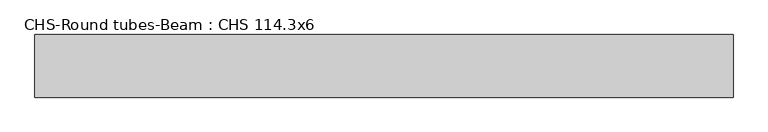
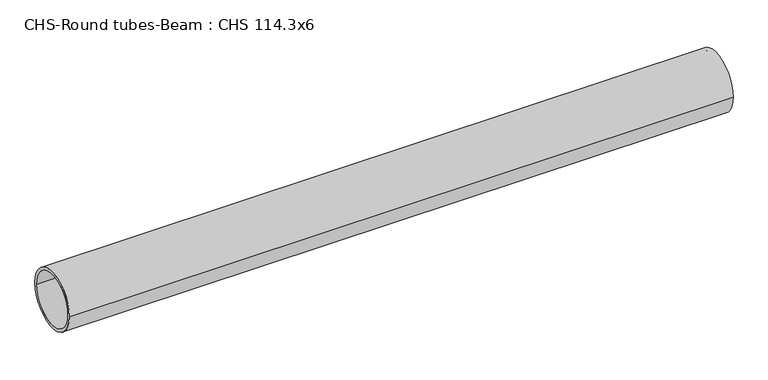
"""IFC4 building model written with IfcOpenShell, lengths in millimetres: beam geometry, CHS-Round tubes-Beam : CHS 114.3x6."""

import ifcopenshell
import ifcopenshell.guid

model = None  # the IFC model being written
_history = None  # IfcOwnerHistory: only IFC2X3 demands one
_inside = {}  # id of a spatial element -> (the spatial element, [elements in it])
_under = {}  # id of a project, library or spatial element -> (it, [spatial elements below it])
_declared = {}  # id of a project -> (the project, [libraries it declares])
_typed = {}  # id of a type object -> (the type object, [elements of that type])
_made_of = {}  # id of a material, layer set ... -> (it, [elements and type objects made of it])


def new_model(schema):
    """Start an empty IFC model of exactly this schema.

    Asked for "IFC4X3", IfcOpenShell would pick the latest addendum, in which some entities
    have other attributes; the version numbers below select the first issue.
    IFC2X3 requires an IfcOwnerHistory on every rooted entity: one is made here for all.
    """
    global model, _history
    if schema == "IFC4X3":
        model = ifcopenshell.file(schema_version=(4, 3, 0, 0))
    else:
        model = ifcopenshell.file(schema=schema)
    _inside.clear()
    _under.clear()
    _declared.clear()
    _typed.clear()
    _made_of.clear()
    _history = None
    if model.schema == "IFC2X3":
        org = make("IfcOrganization", Name="unknown")
        user = make(
            "IfcPersonAndOrganization",
            ThePerson=make("IfcPerson", FamilyName="unknown"),
            TheOrganization=org,
        )
        app = make(
            "IfcApplication",
            ApplicationDeveloper=org,
            Version="unknown",
            ApplicationFullName="unknown",
            ApplicationIdentifier="unknown",
        )
        _history = make(
            "IfcOwnerHistory",
            OwningUser=user,
            OwningApplication=app,
            ChangeAction="ADDED",
            CreationDate=0,
        )
    return model


def make(cls, **values):
    """One entity of the class cls with the attributes given. An attribute that is None is left unset."""
    return model.create_entity(
        cls, **{name: value for name, value in values.items() if value is not None}
    )


def rooted(cls, **values):
    """An entity with a GlobalId (a new one), such as an element, a storey or a relation."""
    return make(cls, GlobalId=ifcopenshell.guid.new(), OwnerHistory=_history, **values)


def si_unit(unit_type, name, prefix=None):
    """IfcSIUnit, for example si_unit("LENGTHUNIT", "METRE", prefix="MILLI")."""
    return make("IfcSIUnit", UnitType=unit_type, Prefix=prefix, Name=name)


def assignment(units):
    """IfcUnitAssignment: the units of a project."""
    return None if units is None else make("IfcUnitAssignment", Units=units)


def point(xyz):
    """IfcCartesianPoint."""
    return None if xyz is None else make("IfcCartesianPoint", Coordinates=xyz)


def direction(xyz):
    """IfcDirection."""
    return None if xyz is None else make("IfcDirection", DirectionRatios=xyz)


def frame(location, z_axis=None, x_axis=None):
    """IfcAxis2Placement3D, a coordinate frame: its origin and axes. An axis left out is left unset."""
    return make(
        "IfcAxis2Placement3D",
        Location=point(location),
        Axis=direction(z_axis),
        RefDirection=direction(x_axis),
    )


def frame_2d(location, x_axis=None):
    """IfcAxis2Placement2D, a coordinate frame in the plane: its origin and x axis."""
    return make(
        "IfcAxis2Placement2D", Location=point(location), RefDirection=direction(x_axis)
    )


def origin():
    """The frame at (0, 0, 0) with its axes left unset."""
    return frame((0.0, 0.0, 0.0))


def origin_2d():
    """The frame at (0, 0) in the plane with its x axis left unset."""
    return frame_2d((0.0, 0.0))


def place(relative_to, where):
    """IfcLocalPlacement: puts the frame where relative to a parent placement (None: the world)."""
    return make(
        "IfcLocalPlacement", PlacementRelTo=relative_to, RelativePlacement=where
    )


def context(
    kind, dimensions, precision=None, world=None, true_north=None, identifier=None
):
    """IfcGeometricRepresentationContext, for example the 3D "Model" context."""
    return make(
        "IfcGeometricRepresentationContext",
        ContextIdentifier=identifier,
        ContextType=kind,
        CoordinateSpaceDimension=dimensions,
        Precision=precision,
        WorldCoordinateSystem=world,
        TrueNorth=true_north,
    )


def project(units=None, contexts=None):
    """IfcProject with its units and contexts."""
    return rooted(
        "IfcProject",
        Name="project",
        RepresentationContexts=contexts,
        UnitsInContext=assignment(units),
    )


def spatial(cls, under=None, at=None, **own):
    """A site, building, storey or space (cls), placed at a placement, below another one or the project."""
    s = rooted(cls, ObjectPlacement=at, **own)
    if under is not None:
        _under.setdefault(under.id(), (under, []))[1].append(s)
    return s


def circle_curve(where, radius):
    """IfcCircle in the frame where."""
    return make("IfcCircle", Position=where, Radius=radius)


def trimmed(basis, trim1, trim2, sense, master):
    """IfcTrimmedCurve: the piece of a basis curve between two trims."""
    return make(
        "IfcTrimmedCurve",
        BasisCurve=basis,
        Trim1=trim1,
        Trim2=trim2,
        SenseAgreement=sense,
        MasterRepresentation=master,
    )


def segment(curve, same_sense, transition):
    """IfcCompositeCurveSegment."""
    return make(
        "IfcCompositeCurveSegment",
        Transition=transition,
        SameSense=same_sense,
        ParentCurve=curve,
    )


def composite_curve(segments, self_intersect=None):
    """IfcCompositeCurve: segments joined end to end."""
    return make("IfcCompositeCurve", Segments=segments, SelfIntersect=self_intersect)


def outline(outer, holes=None, kind="AREA"):
    """IfcArbitraryClosedProfileDef: a profile drawn as a closed curve; with holes, ...WithVoids."""
    if holes is None:
        return make("IfcArbitraryClosedProfileDef", ProfileType=kind, OuterCurve=outer)
    return make(
        "IfcArbitraryProfileDefWithVoids",
        ProfileType=kind,
        OuterCurve=outer,
        InnerCurves=holes,
    )


def extrude(swept, where, along, depth):
    """IfcExtrudedAreaSolid: the profile swept, set in the frame where, extruded along a direction by depth."""
    return make(
        "IfcExtrudedAreaSolid",
        SweptArea=swept,
        Position=where,
        ExtrudedDirection=direction(along),
        Depth=depth,
    )


def shape(context_of_items, identifier, shape_type, items):
    """IfcShapeRepresentation: the items that make up one representation, for example the "Body"."""
    return make(
        "IfcShapeRepresentation",
        ContextOfItems=context_of_items,
        RepresentationIdentifier=identifier,
        RepresentationType=shape_type,
        Items=items,
    )


def source(mapping_origin, context_of_items, identifier, shape_type, items):
    """IfcRepresentationMap: a shape defined once, which mapped items show again and again."""
    return make(
        "IfcRepresentationMap",
        MappingOrigin=mapping_origin,
        MappedRepresentation=shape(context_of_items, identifier, shape_type, items),
    )


def transform(
    local_origin,
    x_axis=None,
    y_axis=None,
    z_axis=None,
    scale=None,
    scale2=None,
    scale3=None,
    uniform=True,
):
    """IfcCartesianTransformationOperator3D, or its non-uniform kind. x_axis, y_axis, z_axis: its Axis1, 2, 3."""
    if uniform:
        return make(
            "IfcCartesianTransformationOperator3D",
            Axis1=direction(x_axis),
            Axis2=direction(y_axis),
            LocalOrigin=point(local_origin),
            Scale=scale,
            Axis3=direction(z_axis),
        )
    return make(
        "IfcCartesianTransformationOperator3DnonUniform",
        Axis1=direction(x_axis),
        Axis2=direction(y_axis),
        LocalOrigin=point(local_origin),
        Scale=scale,
        Axis3=direction(z_axis),
        Scale2=scale2,
        Scale3=scale3,
    )


def mapped(mapping_source, mapping_target):
    """IfcMappedItem: shows the shape of a source again, moved by a transform."""
    return make(
        "IfcMappedItem", MappingSource=mapping_source, MappingTarget=mapping_target
    )


def made_of(thing, what):
    """Note that an element or type object is made of a material, layer set ...; save() writes the relation."""
    if what is not None:
        _made_of.setdefault(what.id(), (what, []))[1].append(thing)
    return thing


def element(
    cls,
    number,
    at=None,
    inside=None,
    cuts=None,
    type_object=None,
    material=None,
    context=None,
    identifier="Body",
    shape_type=None,
    held_by="IfcProductDefinitionShape",
    body=None,
    shapes=None,
    **own,
):
    """One element of the class cls, such as IfcWall. Its Tag is "e" and its number.

    at: its placement. inside: the storey or other place that contains it. cuts: it is an
    opening in that element (IfcRelVoidsElement). A single representation is given by context,
    identifier, shape_type and body (its items); several are given by shapes. held_by: the class
    of the entity that holds the representations. save() writes the other relations.
    """
    e = rooted(cls, Tag="e%d" % number, ObjectPlacement=at, **own)
    if body is not None:
        shapes = [shape(context, identifier, shape_type, body)]
    if shapes is not None:
        e.Representation = make(held_by, Representations=shapes)
    if inside is not None:
        _inside.setdefault(inside.id(), (inside, []))[1].append(e)
    if cuts is not None:
        rooted(
            "IfcRelVoidsElement", RelatingBuildingElement=cuts, RelatedOpeningElement=e
        )
    if type_object is not None:
        _typed.setdefault(type_object.id(), (type_object, []))[1].append(e)
    return made_of(e, material)


def aggregate(whole, parts):
    """IfcRelAggregates: a whole, such as a stair, and the parts it consists of."""
    return rooted("IfcRelAggregates", RelatingObject=whole, RelatedObjects=parts)


def save(model, path):
    """Write the relations noted so far, then the file.

    IfcRelAggregates (storeys below a building ...), IfcRelContainedInSpatialStructure (elements
    in a storey), IfcRelDefinesByType, IfcRelAssociatesMaterial and IfcRelDeclares: one each for
    every whole, place, type object, material and project.
    """
    for whole, parts in _under.values():
        aggregate(whole, parts)
    for where, things in _inside.values():
        rooted(
            "IfcRelContainedInSpatialStructure",
            RelatedElements=things,
            RelatingStructure=where,
        )
    for kind, things in _typed.values():
        rooted("IfcRelDefinesByType", RelatedObjects=things, RelatingType=kind)
    for what, things in _made_of.values():
        rooted("IfcRelAssociatesMaterial", RelatedObjects=things, RelatingMaterial=what)
    for by, libraries in _declared.values():
        rooted("IfcRelDeclares", RelatingContext=by, RelatedDefinitions=libraries)
    model.write(path)


def chs_round_tubes_beam_chs_114_3x6_e396dd76(model_context):
    return source(origin(), model_context, "Body", "SweptSolid", [
        extrude(outline(composite_curve([segment(trimmed(circle_curve(origin_2d(), 57.15), [point((57.15, 0.0))], [point((-57.15, 0.0))], False, "CARTESIAN"), True, "CONTINUOUS"), segment(trimmed(circle_curve(origin_2d(), 57.15), [point((-57.15, 0.0))], [point((57.15, 0.0))], False, "CARTESIAN"), True, "CONTINUOUS")], self_intersect=False), holes=[composite_curve([segment(trimmed(circle_curve(origin_2d(), 51.15), [point((51.15, 0.0))], [point((-51.15, 0.0))], True, "CARTESIAN"), True, "CONTINUOUS"), segment(trimmed(circle_curve(origin_2d(), 51.15), [point((-51.15, 0.0))], [point((51.15, 0.0))], True, "CARTESIAN"), True, "CONTINUOUS")], self_intersect=False)]), frame((-634.1449929, 0.0, 0.0), z_axis=(1.0, 0.0, 0.0), x_axis=(0.0, 1.0, 0.0)), (0.0, 0.0, 1.0), 1273.854562),
    ])


if __name__ == "__main__":
    model = new_model("IFC4")
    model_context = context("Model", 3, world=origin())
    ifc_project = project(units=[si_unit("LENGTHUNIT", "METRE", prefix="MILLI")], contexts=[model_context])
    site = spatial("IfcSite", under=ifc_project)
    building = spatial("IfcBuilding", under=site)
    placement = place(None, origin())
    chs_round_tubes_beam_chs_114_3x6_shape = chs_round_tubes_beam_chs_114_3x6_e396dd76(model_context)
    element("IfcBeam", 1, ObjectType="CHS-Round tubes-Beam : CHS 114.3x6", at=placement, inside=building, context=model_context, shape_type="MappedRepresentation", body=[
        mapped(chs_round_tubes_beam_chs_114_3x6_shape, transform((0.0, 0.0, 0.0), x_axis=(1.0, 0.0, 0.0), y_axis=(0.0, 1.0, 0.0), z_axis=(0.0, 0.0, 1.0))),
    ])
    save(model, "model.ifc")
